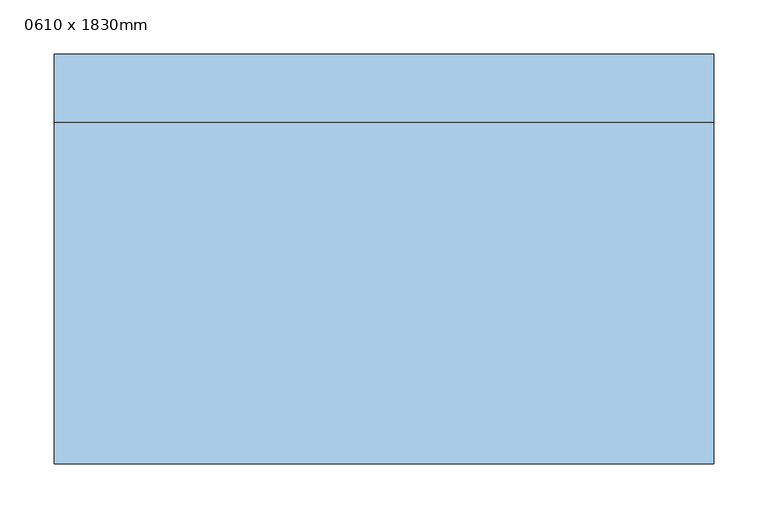
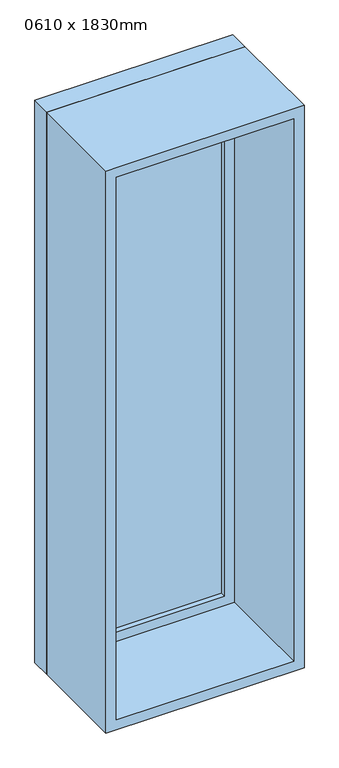
"""IFC4 building model written with IfcOpenShell, lengths in millimetres: window geometry, 0610 x 1830mm."""

import ifcopenshell
import ifcopenshell.guid

model = None  # the IFC model being written
_history = None  # IfcOwnerHistory: only IFC2X3 demands one
_inside = {}  # id of a spatial element -> (the spatial element, [elements in it])
_under = {}  # id of a project, library or spatial element -> (it, [spatial elements below it])
_declared = {}  # id of a project -> (the project, [libraries it declares])
_typed = {}  # id of a type object -> (the type object, [elements of that type])
_made_of = {}  # id of a material, layer set ... -> (it, [elements and type objects made of it])


def new_model(schema):
    """Start an empty IFC model of exactly this schema.

    Asked for "IFC4X3", IfcOpenShell would pick the latest addendum, in which some entities
    have other attributes; the version numbers below select the first issue.
    IFC2X3 requires an IfcOwnerHistory on every rooted entity: one is made here for all.
    """
    global model, _history
    if schema == "IFC4X3":
        model = ifcopenshell.file(schema_version=(4, 3, 0, 0))
    else:
        model = ifcopenshell.file(schema=schema)
    _inside.clear()
    _under.clear()
    _declared.clear()
    _typed.clear()
    _made_of.clear()
    _history = None
    if model.schema == "IFC2X3":
        org = make("IfcOrganization", Name="unknown")
        user = make(
            "IfcPersonAndOrganization",
            ThePerson=make("IfcPerson", FamilyName="unknown"),
            TheOrganization=org,
        )
        app = make(
            "IfcApplication",
            ApplicationDeveloper=org,
            Version="unknown",
            ApplicationFullName="unknown",
            ApplicationIdentifier="unknown",
        )
        _history = make(
            "IfcOwnerHistory",
            OwningUser=user,
            OwningApplication=app,
            ChangeAction="ADDED",
            CreationDate=0,
        )
    return model


def make(cls, **values):
    """One entity of the class cls with the attributes given. An attribute that is None is left unset."""
    return model.create_entity(
        cls, **{name: value for name, value in values.items() if value is not None}
    )


def rooted(cls, **values):
    """An entity with a GlobalId (a new one), such as an element, a storey or a relation."""
    return make(cls, GlobalId=ifcopenshell.guid.new(), OwnerHistory=_history, **values)


def si_unit(unit_type, name, prefix=None):
    """IfcSIUnit, for example si_unit("LENGTHUNIT", "METRE", prefix="MILLI")."""
    return make("IfcSIUnit", UnitType=unit_type, Prefix=prefix, Name=name)


def assignment(units):
    """IfcUnitAssignment: the units of a project."""
    return None if units is None else make("IfcUnitAssignment", Units=units)


def point(xyz):
    """IfcCartesianPoint."""
    return None if xyz is None else make("IfcCartesianPoint", Coordinates=xyz)


def direction(xyz):
    """IfcDirection."""
    return None if xyz is None else make("IfcDirection", DirectionRatios=xyz)


def frame(location, z_axis=None, x_axis=None):
    """IfcAxis2Placement3D, a coordinate frame: its origin and axes. An axis left out is left unset."""
    return make(
        "IfcAxis2Placement3D",
        Location=point(location),
        Axis=direction(z_axis),
        RefDirection=direction(x_axis),
    )


def origin():
    """The frame at (0, 0, 0) with its axes left unset."""
    return frame((0.0, 0.0, 0.0))


def place(relative_to, where):
    """IfcLocalPlacement: puts the frame where relative to a parent placement (None: the world)."""
    return make(
        "IfcLocalPlacement", PlacementRelTo=relative_to, RelativePlacement=where
    )


def context(
    kind, dimensions, precision=None, world=None, true_north=None, identifier=None
):
    """IfcGeometricRepresentationContext, for example the 3D "Model" context."""
    return make(
        "IfcGeometricRepresentationContext",
        ContextIdentifier=identifier,
        ContextType=kind,
        CoordinateSpaceDimension=dimensions,
        Precision=precision,
        WorldCoordinateSystem=world,
        TrueNorth=true_north,
    )


def project(units=None, contexts=None):
    """IfcProject with its units and contexts."""
    return rooted(
        "IfcProject",
        Name="project",
        RepresentationContexts=contexts,
        UnitsInContext=assignment(units),
    )


def spatial(cls, under=None, at=None, **own):
    """A site, building, storey or space (cls), placed at a placement, below another one or the project."""
    s = rooted(cls, ObjectPlacement=at, **own)
    if under is not None:
        _under.setdefault(under.id(), (under, []))[1].append(s)
    return s


def polyline(points):
    """IfcPolyline through the points."""
    return make("IfcPolyline", Points=[point(p) for p in points])


def outline(outer, holes=None, kind="AREA"):
    """IfcArbitraryClosedProfileDef: a profile drawn as a closed curve; with holes, ...WithVoids."""
    if holes is None:
        return make("IfcArbitraryClosedProfileDef", ProfileType=kind, OuterCurve=outer)
    return make(
        "IfcArbitraryProfileDefWithVoids",
        ProfileType=kind,
        OuterCurve=outer,
        InnerCurves=holes,
    )


def extrude(swept, where, along, depth):
    """IfcExtrudedAreaSolid: the profile swept, set in the frame where, extruded along a direction by depth."""
    return make(
        "IfcExtrudedAreaSolid",
        SweptArea=swept,
        Position=where,
        ExtrudedDirection=direction(along),
        Depth=depth,
    )


def shape(context_of_items, identifier, shape_type, items):
    """IfcShapeRepresentation: the items that make up one representation, for example the "Body"."""
    return make(
        "IfcShapeRepresentation",
        ContextOfItems=context_of_items,
        RepresentationIdentifier=identifier,
        RepresentationType=shape_type,
        Items=items,
    )


def source(mapping_origin, context_of_items, identifier, shape_type, items):
    """IfcRepresentationMap: a shape defined once, which mapped items show again and again."""
    return make(
        "IfcRepresentationMap",
        MappingOrigin=mapping_origin,
        MappedRepresentation=shape(context_of_items, identifier, shape_type, items),
    )


def transform(
    local_origin,
    x_axis=None,
    y_axis=None,
    z_axis=None,
    scale=None,
    scale2=None,
    scale3=None,
    uniform=True,
):
    """IfcCartesianTransformationOperator3D, or its non-uniform kind. x_axis, y_axis, z_axis: its Axis1, 2, 3."""
    if uniform:
        return make(
            "IfcCartesianTransformationOperator3D",
            Axis1=direction(x_axis),
            Axis2=direction(y_axis),
            LocalOrigin=point(local_origin),
            Scale=scale,
            Axis3=direction(z_axis),
        )
    return make(
        "IfcCartesianTransformationOperator3DnonUniform",
        Axis1=direction(x_axis),
        Axis2=direction(y_axis),
        LocalOrigin=point(local_origin),
        Scale=scale,
        Axis3=direction(z_axis),
        Scale2=scale2,
        Scale3=scale3,
    )


def mapped(mapping_source, mapping_target):
    """IfcMappedItem: shows the shape of a source again, moved by a transform."""
    return make(
        "IfcMappedItem", MappingSource=mapping_source, MappingTarget=mapping_target
    )


def made_of(thing, what):
    """Note that an element or type object is made of a material, layer set ...; save() writes the relation."""
    if what is not None:
        _made_of.setdefault(what.id(), (what, []))[1].append(thing)
    return thing


def element(
    cls,
    number,
    at=None,
    inside=None,
    cuts=None,
    type_object=None,
    material=None,
    context=None,
    identifier="Body",
    shape_type=None,
    held_by="IfcProductDefinitionShape",
    body=None,
    shapes=None,
    **own,
):
    """One element of the class cls, such as IfcWall. Its Tag is "e" and its number.

    at: its placement. inside: the storey or other place that contains it. cuts: it is an
    opening in that element (IfcRelVoidsElement). A single representation is given by context,
    identifier, shape_type and body (its items); several are given by shapes. held_by: the class
    of the entity that holds the representations. save() writes the other relations.
    """
    e = rooted(cls, Tag="e%d" % number, ObjectPlacement=at, **own)
    if body is not None:
        shapes = [shape(context, identifier, shape_type, body)]
    if shapes is not None:
        e.Representation = make(held_by, Representations=shapes)
    if inside is not None:
        _inside.setdefault(inside.id(), (inside, []))[1].append(e)
    if cuts is not None:
        rooted(
            "IfcRelVoidsElement", RelatingBuildingElement=cuts, RelatedOpeningElement=e
        )
    if type_object is not None:
        _typed.setdefault(type_object.id(), (type_object, []))[1].append(e)
    return made_of(e, material)


def aggregate(whole, parts):
    """IfcRelAggregates: a whole, such as a stair, and the parts it consists of."""
    return rooted("IfcRelAggregates", RelatingObject=whole, RelatedObjects=parts)


def save(model, path):
    """Write the relations noted so far, then the file.

    IfcRelAggregates (storeys below a building ...), IfcRelContainedInSpatialStructure (elements
    in a storey), IfcRelDefinesByType, IfcRelAssociatesMaterial and IfcRelDeclares: one each for
    every whole, place, type object, material and project.
    """
    for whole, parts in _under.values():
        aggregate(whole, parts)
    for where, things in _inside.values():
        rooted(
            "IfcRelContainedInSpatialStructure",
            RelatedElements=things,
            RelatingStructure=where,
        )
    for kind, things in _typed.values():
        rooted("IfcRelDefinesByType", RelatedObjects=things, RelatingType=kind)
    for what, things in _made_of.values():
        rooted("IfcRelAssociatesMaterial", RelatedObjects=things, RelatingMaterial=what)
    for by, libraries in _declared.values():
        rooted("IfcRelDeclares", RelatingContext=by, RelatedDefinitions=libraries)
    model.write(path)


def window_0610_x_1830mm_1d7140b9(model_context):
    return source(origin(), model_context, "Body", "SweptSolid", [
        extrude(outline(polyline([(-242.0, 167.5), (242.0, 167.5), (242.0, 155.5), (-242.0, 155.5), (-242.0, 167.5)])), frame((0.0, 0.0, 368.0), z_axis=(0.0, 0.0, 1.0), x_axis=(1.0, 0.0, 0.0)), (0.0, 0.0, 1.0), 1704.0),
        extrude(outline(polyline([(2116.0, -286.0), (324.0, -286.0), (324.0, 286.0), (2116.0, 286.0), (2116.0, -286.0)]), holes=[polyline([(2072.0, -242.0), (2072.0, 242.0), (368.0, 242.0), (368.0, -242.0), (2072.0, -242.0)])]), frame((0.0, 139.5, 0.0), z_axis=(0.0, 1.0, 0.0), x_axis=(0.0, 0.0, 1.0)), (0.0, 0.0, 1.0), 44.0),
        extrude(outline(polyline([(2135.0, -305.0), (305.0, -305.0), (305.0, 305.0), (2135.0, 305.0), (2135.0, -305.0)]), holes=[polyline([(2116.0, -286.0), (2116.0, 286.0), (324.0, 286.0), (324.0, -286.0), (2116.0, -286.0)])]), frame((0.0, 139.5, 0.0), z_axis=(0.0, 1.0, 0.0), x_axis=(0.0, 0.0, 1.0)), (0.0, 0.0, 1.0), 63.0),
        extrude(outline(polyline([(2135.0, -305.0), (305.0, -305.0), (305.0, 305.0), (2135.0, 305.0), (2135.0, -305.0)]), holes=[polyline([(2103.0, -273.0), (2103.0, 273.0), (337.0, 273.0), (337.0, -273.0), (2103.0, -273.0)])]), frame((0.0, -176.5, 0.0), z_axis=(0.0, 1.0, 0.0), x_axis=(0.0, 0.0, 1.0)), (0.0, 0.0, 1.0), 316.0),
    ])


if __name__ == "__main__":
    model = new_model("IFC4")
    model_context = context("Model", 3, world=origin())
    ifc_project = project(units=[si_unit("LENGTHUNIT", "METRE", prefix="MILLI")], contexts=[model_context])
    site = spatial("IfcSite", under=ifc_project)
    building = spatial("IfcBuilding", under=site)
    placement = place(None, origin())
    window_0610_x_1830mm_shape = window_0610_x_1830mm_1d7140b9(model_context)
    element("IfcWindow", 1, ObjectType="0610 x 1830mm", at=placement, inside=building, context=model_context, shape_type="MappedRepresentation", body=[
        mapped(window_0610_x_1830mm_shape, transform((0.0, 0.0, 0.0), x_axis=(1.0, 0.0, 0.0), y_axis=(0.0, 1.0, 0.0), z_axis=(0.0, 0.0, 1.0))),
    ])
    save(model, "model.ifc")
